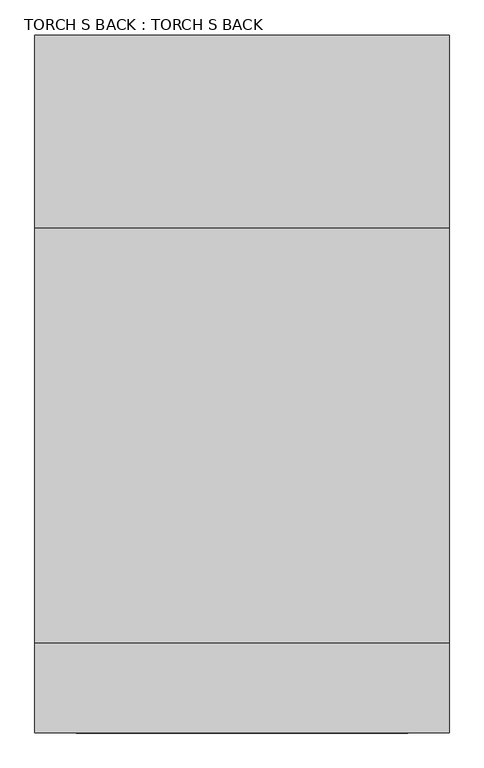
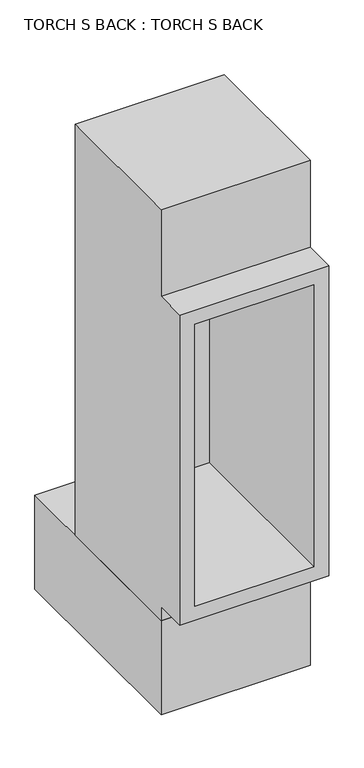
"""IFC4 building model written with IfcOpenShell, lengths in millimetres: proxy geometry, TORCH S BACK : TORCH S BACK."""

from ifc_helpers import new_model, si_unit, origin, origin_with_axes, place, context, project, spatial, polyline, outline, extrude, faceted_brep, source, transform, mapped, element, save


def torch_s_back_torch_s_back_9780db06(model_context):
    return source(origin(), model_context, "Body", "SolidModel", [
        faceted_brep([(-381.0, 381.0, 2730.5), (-381.0, -381.0, 2730.5), (381.0, -381.0, 2730.5), (381.0, 381.0, 2730.5), (381.0, 381.0, 508.0), (381.0, -381.0, 508.0), (-381.0, -381.0, 508.0), (-381.0, 381.0, 508.0), (-381.0, 381.0, 2260.6), (-381.0, -381.0, 584.2), (-381.0, -546.1, 584.2), (-381.0, -546.1, 2260.6), (-381.0, -381.0, 2260.6), (381.0, -546.1, 584.2), (381.0, -546.1, 2260.6), (-304.8, -546.1, 2184.4), (304.8, -546.1, 2184.4), (304.8, -546.1, 660.4), (-304.8, -546.1, 660.4), (381.0, -381.0, 2260.6), (381.0, -381.0, 584.2), (381.0, 381.0, 2260.6), (304.8, 380.0, 2184.4), (-304.8, 380.0, 2184.4), (-304.8, 380.0, 660.4), (304.8, 380.0, 660.4)], [[[0, 1, 2, 3]], [[4, 5, 6, 7]], [[1, 0, 8, 7, 6, 9, 10, 11, 12]], [[11, 10, 13, 14], [15, 16, 17, 18]], [[3, 2, 19, 14, 13, 20, 5, 4, 21]], [[21, 8, 0, 3]], [[19, 12, 11, 14]], [[12, 19, 2, 1]], [[20, 9, 6, 5]], [[9, 20, 13, 10]], [[8, 21, 4, 7]], [[22, 23, 24, 25]], [[23, 22, 16, 15]], [[24, 23, 15, 18]], [[25, 24, 18, 17]], [[22, 25, 17, 16]]]),
        extrude(outline(polyline([(381.0, 736.5999575), (381.0, -381.0), (-381.0, -381.0), (-381.0, 736.5999575), (381.0, 736.5999575)])), origin_with_axes(), (0.0, 0.0, 1.0), 508.0),
    ])


if __name__ == "__main__":
    model = new_model("IFC4")
    model_context = context("Model", 3, world=origin())
    ifc_project = project(units=[si_unit("LENGTHUNIT", "METRE", prefix="MILLI")], contexts=[model_context])
    site = spatial("IfcSite", under=ifc_project)
    building = spatial("IfcBuilding", under=site)
    placement = place(None, origin())
    torch_s_back_torch_s_back_shape = torch_s_back_torch_s_back_9780db06(model_context)
    element("IfcBuildingElementProxy", 1, Name="TORCH S BACK : TORCH S BACK", ObjectType="TORCH S BACK : TORCH S BACK", at=placement, inside=building, context=model_context, shape_type="MappedRepresentation", body=[
        mapped(torch_s_back_torch_s_back_shape, transform((0.0, 0.0, 0.0), x_axis=(1.0, 0.0, 0.0), y_axis=(0.0, 1.0, 0.0), z_axis=(0.0, 0.0, 1.0))),
    ])
    save(model, "model.ifc")
